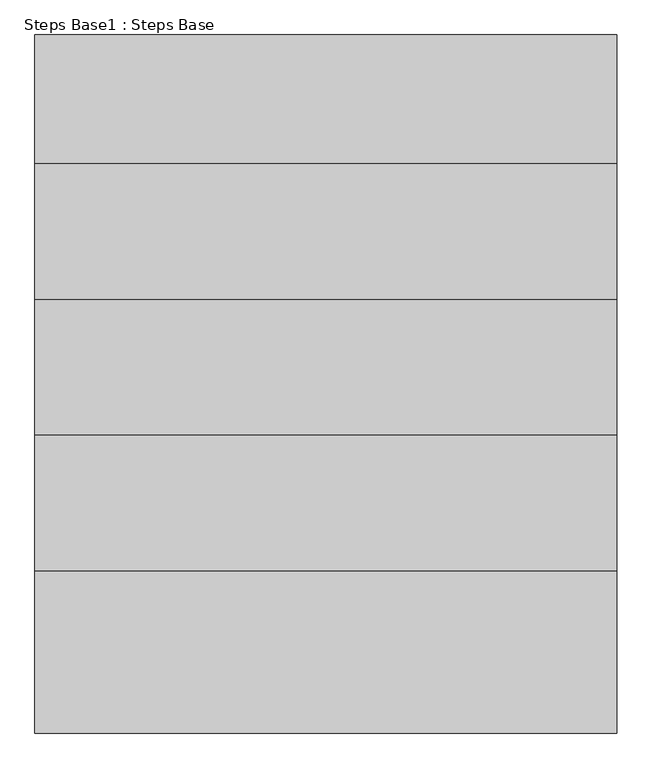
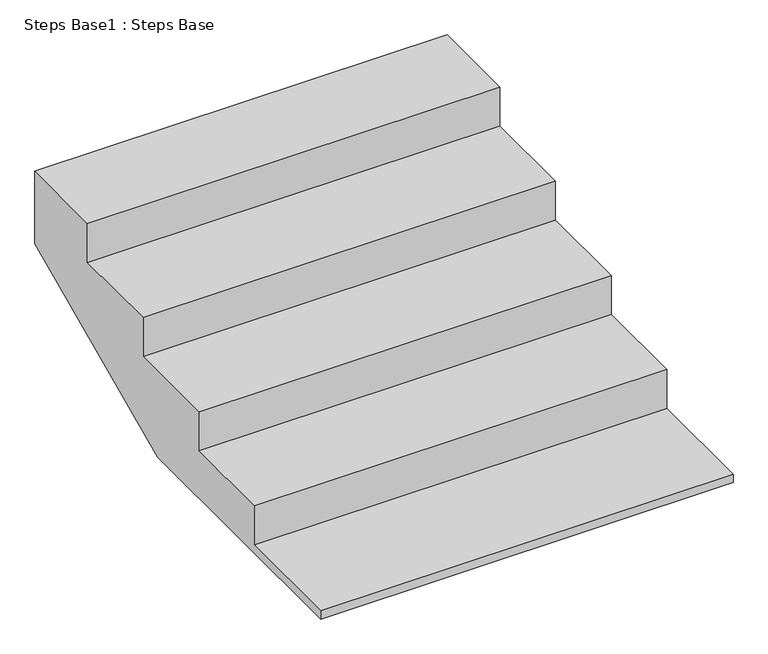
"""IFC4 building model written with IfcOpenShell, lengths in millimetres: stair geometry, Steps Base1 : Steps Base."""

from ifc_helpers import new_model, si_unit, frame, origin, place, context, project, spatial, polyline, outline, extrude, source, transform, mapped, element, save


def steps_base1_steps_base_23e74bfb(model_context):
    return source(origin(), model_context, "Body", "SweptSolid", [
        extrude(outline(polyline([(-34397.2944245, -19.05), (-34397.2944245, 133.35), (-34041.6944245, 133.35), (-34041.6944245, 285.75), (-33686.0944245, 285.75), (-33686.0944245, 438.15), (-33330.4944245, 438.15), (-33330.4944245, 590.55), (-32993.9444245, 590.55), (-32993.9444245, 309.1828417), (-33781.4068908, -50.8), (-34822.7444245, -50.8), (-34822.7444245, -19.05), (-34397.2944245, -19.05)])), frame((3262.360487, 0.0, 0.0), z_axis=(1.0, 0.0, 0.0), x_axis=(0.0, 1.0, 0.0)), (0.0, 0.0, 1.0), 1524.0),
    ])


if __name__ == "__main__":
    model = new_model("IFC4")
    model_context = context("Model", 3, world=origin())
    ifc_project = project(units=[si_unit("LENGTHUNIT", "METRE", prefix="MILLI")], contexts=[model_context])
    site = spatial("IfcSite", under=ifc_project)
    building = spatial("IfcBuilding", under=site)
    placement = place(None, origin())
    steps_base1_steps_base_shape = steps_base1_steps_base_23e74bfb(model_context)
    element("IfcStair", 1, ObjectType="Steps Base1 : Steps Base", at=placement, inside=building, context=model_context, shape_type="MappedRepresentation", body=[
        mapped(steps_base1_steps_base_shape, transform((0.0, 0.0, 0.0), x_axis=(1.0, 0.0, 0.0), y_axis=(0.0, 1.0, 0.0), z_axis=(0.0, 0.0, 1.0))),
    ])
    save(model, "model.ifc")
